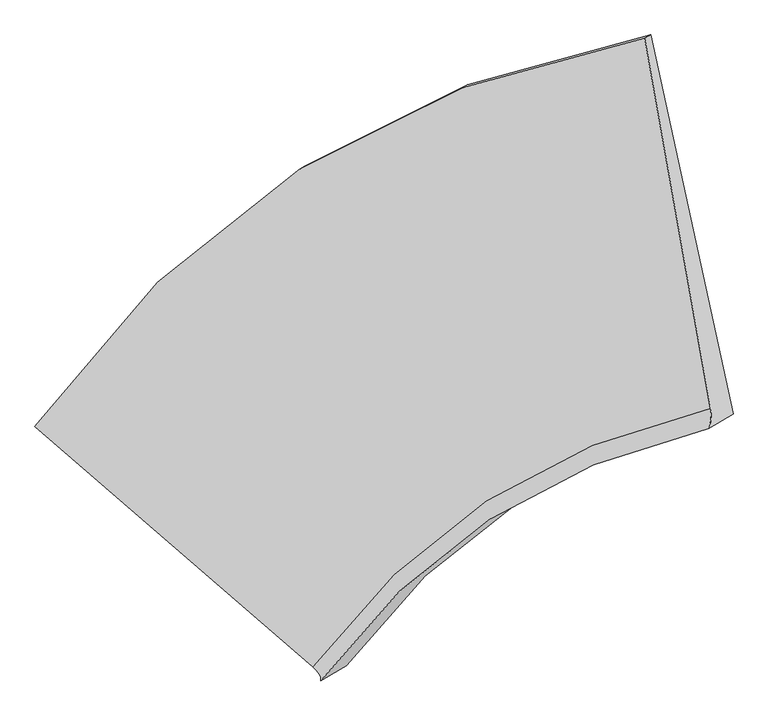
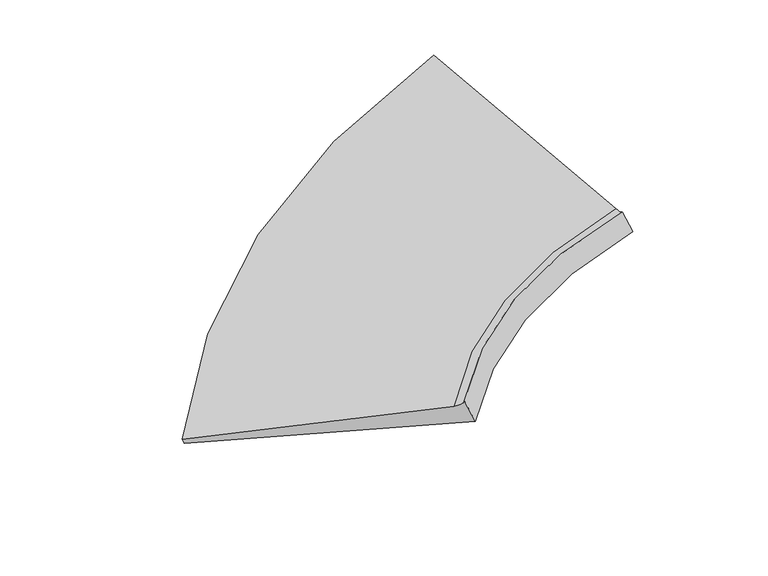
"""IFC4 building model written with IfcOpenShell, lengths in millimetres: proxy geometry."""

from ifc_helpers import new_model, si_unit, frame, origin, place, context, project, spatial, source, transform, mapped, element, save
from ifc_brep_helpers import plane_surface, spline_curve, spline_surface, advanced_brep


def generic_models_1e6c74c7(model_context):
    return source(origin(), model_context, "Body", "AdvancedBrep", [
        advanced_brep(
        [(-3698.9325941, -5449.443842, 498.2140542), (-3737.1303575, -5471.6211139, 574.8126268), (911.131957, -2512.3190339, 1908.7784518), (955.6763242, -2486.4569819, 1819.4529354), (-1619.3413085, -7306.2012896, 1356.9537477), (1411.8110677, -5334.1968011, 1545.5919711), (-1557.6201525, -7411.8533162, 1465.3958178), (1398.1026959, -5486.7271374, 1602.8467653), (-1363.0862252, -7298.9086977, 1075.2938896), (1584.5759732, -5378.4624585, 1228.9089847)],
        [
            (0, 1),
            (1, 2, spline_curve(3, [(-3737.1303575, -5471.6211139, 574.8126268), (-3162.167267449, -4657.284940589, 779.875517063), (-2488.831579619, -4003.771746216, 993.201865754), (-940.633594181, -3015.338665654, 1437.754424606), (-64.548510775, -2682.417833069, 1669.083350762), (911.131957, -2512.3190339, 1908.7784518)], [4, 2, 4], [0.0, 9.459799674756688, 18.97821114615803])),
            (2, 3),
            (3, 0, spline_curve(3, [(955.6763242, -2486.4569819, 1819.4529354), (-23.101548254, -2658.35410597, 1585.969108669), (-901.26270657, -2992.480288503, 1358.803367623), (-2451.563687196, -3982.134348727, 918.467977946), (-3124.938834902, -4635.670453299, 705.22075829), (-3698.9325941, -5449.443842, 498.2140542)], [4, 2, 4], [0.0, 9.518411471401343, 18.97821114615803])),
            (1, 4),
            (4, 5, spline_curve(3, [(-1619.3413085, -7306.2012896, 1356.9537477), (-1239.966942996, -6791.645544941, 1379.428467738), (-798.655716333, -6370.252875572, 1406.323437299), (210.958524388, -5711.760014795, 1469.147900684), (780.031423212, -5475.817854997, 1505.132338919), (1411.8110677, -5334.1968011, 1545.5919711)], [4, 2, 4], [0.0, 7.709399957700699, 15.466566443035049])),
            (5, 2),
            (4, 6, spline_curve(3, [(-1619.3413085, -7306.2012896, 1356.9537477), (-1608.214964943, -7316.111095107, 1361.508308911), (-1598.584349808, -7325.744533072, 1367.183439602), (-1582.314576592, -7344.458674128, 1380.774839998), (-1575.675418463, -7353.53937725, 1388.691109619), (-1565.388559137, -7371.14804835, 1406.764787981), (-1561.740858014, -7379.676016329, 1416.922196732), (-1557.436912586, -7396.179217471, 1439.478153068), (-1556.780668269, -7404.154450603, 1451.876700644), (-1557.6201525, -7411.8533162, 1465.3958178)], [4, 2, 2, 2, 4], [0.0, 0.13914033324456654, 0.2782806664891331, 0.4174209997336996, 0.5565613329782662])),
            (6, 7, spline_curve(3, [(-1557.6201525, -7411.8533162, 1465.3958178), (-1187.322982818, -6910.915520538, 1479.401221574), (-756.811399121, -6500.235287705, 1497.809155299), (227.68107599, -5857.404646039, 1543.571413829), (782.410441877, -5626.376152943, 1570.980462498), (1398.1026959, -5486.7271374, 1602.8467653)], [4, 2, 4], [0.0, 5.950645344411327, 11.938160181499313])),
            (7, 5, spline_curve(3, [(1398.1026959, -5486.7271374, 1602.8467653), (1402.786763618, -5476.638921362, 1591.936623196), (1406.585405484, -5465.895043996, 1582.561208376), (1412.411837516, -5443.095966604, 1566.879833424), (1414.439627685, -5431.040766558, 1560.573873252), (1416.724356315, -5405.619043842, 1551.031407548), (1416.981294791, -5392.252521117, 1547.794902024), (1415.724320009, -5364.208153083, 1544.391345576), (1414.210406793, -5349.530307779, 1544.224294696), (1411.8110677, -5334.1968011, 1545.5919711)], [4, 2, 2, 2, 4], [0.0, 0.13914033324456654, 0.2782806664891331, 0.4174209997336996, 0.5565613329782662])),
            (6, 8),
            (8, 9, spline_curve(3, [(-1363.0862252, -7298.9086977, 1075.2938896), (-991.07910082, -6796.978118029, 1085.870294445), (-560.377477516, -6386.187549712, 1103.897138525), (421.447007237, -5744.905919155, 1155.009560303), (973.299449977, -5515.547741092, 1188.187747592), (1584.5759732, -5378.4624585, 1228.9089847)], [4, 2, 4], [0.0, 5.8822123416838314, 11.80087017327708])),
            (9, 7),
            (8, 0),
            (3, 9),
        ],
        [
            spline_surface(3, 3, [[(-3698.9325941, -5449.443842, 498.2140542), (-3124.938834845, -4635.670453166, 705.220758299), (-2451.563687054, -3982.134348843, 918.467977864), (-901.262706713, -2992.480288386, 1358.803367706), (-23.101548357, -2658.354106013, 1585.96910855), (955.6763242, -2486.4569819, 1819.4529354)], [(-3711.665181899, -5456.836265994, 523.746911736), (-3137.348312416, -4642.875282318, 730.105677839), (-2463.986317872, -3989.346814649, 943.379273815), (-914.386335917, -3000.099747442, 1385.120386688), (-36.917202506, -2666.375348422, 1613.673855985), (940.828201824, -2495.077665915, 1849.228107523)], [(-3724.397769701, -5464.228689906, 549.279769264), (-3149.75778999, -4650.080111388, 754.990597372), (-2476.408948674, -3996.559280482, 968.290569761), (-927.509965106, -3007.719206526, 1411.437405667), (-50.732856728, -2674.396590784, 1641.37860345), (925.980079376, -2503.698349885, 1879.003279677)], [(-3737.1303575, -5471.6211139, 574.8126268), (-3162.167267561, -4657.284940539, 779.875516912), (-2488.831579492, -4003.771746288, 993.201865712), (-940.633594309, -3015.338665582, 1437.75442465), (-64.548510878, -2682.417833193, 1669.083350885), (911.131957, -2512.3190339, 1908.7784518)]], [4, 4], [4, 2, 4], [0.0, 0.29106780651319153], [0.0, 9.459799674756688, 18.97821114615803]),
            spline_surface(3, 3, [[(-3737.1303575, -5471.6211139, 574.8126268), (-3162.167267561, -4657.284940539, 779.875516912), (-2488.831579492, -4003.771746288, 993.201865712), (-940.633594309, -3015.338665582, 1437.75442465), (-64.548510878, -2682.417833193, 1669.083350885), (911.131957, -2512.3190339, 1908.7784518)], [(-3031.200674501, -6083.147839114, 835.526333743), (-2521.433826031, -5368.738475353, 979.726500501), (-1925.439625099, -4792.598789364, 1130.909056232), (-556.769554709, -3914.145782006, 1448.218916671), (216.97813382, -3613.551173746, 1614.433013586), (1078.024993882, -3452.944956289, 1787.716291573)], [(-2325.270991499, -6694.674564386, 1096.240040757), (-1880.700384498, -6080.192010224, 1179.577484162), (-1362.047670767, -5581.425832439, 1268.616246751), (-172.905515171, -4812.952898429, 1458.683408691), (498.504778573, -4544.684514334, 1559.782676267), (1244.918030818, -4393.570878711, 1666.654131327)], [(-1619.3413085, -7306.2012896, 1356.9537477), (-1239.966942968, -6791.645545038, 1379.428467752), (-798.655716374, -6370.252875514, 1406.323437271), (210.958524429, -5711.760014853, 1469.147900712), (780.031423271, -5475.817854887, 1505.132338968), (1411.8110677, -5334.1968011, 1545.5919711)]], [4, 4], [4, 2, 4], [0.0, 9.551953077660876], [0.0, 7.709399957700699, 15.466566443035049]),
            spline_surface(3, 3, [[(-1619.3413085, -7306.2012896, 1356.9537477), (-1239.966942968, -6791.645545038, 1379.428467752), (-798.655716374, -6370.252875514, 1406.323437271), (210.958524429, -5711.760014853, 1469.147900712), (780.031423271, -5475.817854887, 1505.132338968), (1411.8110677, -5334.1968011, 1545.5919711)], [(-1608.214964943, -7316.111095105, 1361.508308909), (-1229.890807877, -6803.130912595, 1383.003150615), (-789.829072502, -6382.977644732, 1408.916191684), (216.878643928, -5726.296862987, 1469.766601404), (784.292032499, -5490.923201752, 1504.758888905), (1414.210406791, -5349.530307779, 1544.224294696)], [(-1598.58434981, -7325.744533072, 1367.183439604), (-1221.236957339, -6814.22972937, 1387.766928461), (-782.337332957, -6395.229188545, 1412.766709894), (221.667120075, -5740.23376222, 1471.781116717), (787.537052288, -5505.388843061, 1505.850637236), (1415.724320011, -5364.208153081, 1544.391345577)], [(-1582.31457659, -7344.458674128, 1380.774839996), (-1206.773825572, -6835.654261558, 1399.672674152), (-770.023662657, -6418.785825442, 1422.983274152), (228.980785533, -5766.907662966, 1478.601776831), (791.995913065, -5533.040714758, 1510.964530801), (1416.981294789, -5392.252521119, 1547.794902023)], [(-1575.675418462, -7353.539377249, 1388.691109617), (-1200.9645443, -6845.979977003, 1406.81464192), (-765.20173186, -6430.090918473, 1429.349320213), (231.505974886, -5779.644664425, 1483.407921645), (793.20975402, -5546.226945134, 1514.986675995), (1416.724356313, -5405.619043842, 1551.03140755)], [(-1565.388559138, -7371.148048351, 1406.764787983), (-1192.190550948, -6865.858306265, 1423.476767575), (-758.227679004, -6451.754653832, 1444.596939903), (234.293066805, -5803.918769649, 1495.811840489), (793.606257119, -5571.319994798, 1525.961363249), (1414.439627687, -5431.040766558, 1560.57387325)], [(-1561.740858015, -7379.676016327, 1416.922196731), (-1189.225838941, -6875.410920078, 1432.996925465), (-756.075556954, -6462.11329618, 1453.478513616), (234.554969363, -5815.455873433, 1503.409614604), (792.78891924, -5583.226814141, 1532.913905307), (1412.411837515, -5443.095966603, 1566.879833422)], [(-1557.436912585, -7396.179217473, 1439.478153069), (-1186.140984004, -6893.743046414, 1454.415431084), (-754.441121542, -6481.884130001, 1473.757188738), (232.815487743, -5837.330183135, 1521.396792179), (789.123064659, -5605.761041773, 1549.749386251), (1406.585405485, -5465.895043997, 1582.561208378)], [(-1556.780668267, -7404.154450604, 1451.876700644), (-1186.020841063, -6902.522558896, 1466.313778797), (-754.95880814, -6491.296321467, 1485.154290103), (230.814103606, -5847.667389045, 1531.786195595), (786.274547946, -5616.388450083, 1559.632325172), (1402.786763617, -5476.638921364, 1591.936623195)], [(-1557.6201525, -7411.8533162, 1465.3958178), (-1187.322982802, -6910.915520601, 1479.401221588), (-756.811399156, -6500.235287609, 1497.809155379), (227.681076026, -5857.404646135, 1543.571413748), (782.410441816, -5626.376152883, 1570.980462489), (1398.1026959, -5486.7271374, 1602.8467653)]], [4, 2, 2, 2, 4], [4, 2, 4], [0.0, 0.13914033324456654, 0.2782806664891331, 0.4174209997336996, 0.5565613329782662], [0.0, 5.950645344411327, 11.938160181499313]),
            spline_surface(3, 3, [[(-1557.6201525, -7411.8533162, 1465.3958178), (-1187.322982802, -6910.915520601, 1479.401221588), (-756.811399156, -6500.235287609, 1497.809155379), (227.681076026, -5857.404646135, 1543.571413748), (782.410441816, -5626.376152883, 1570.980462489), (1398.1026959, -5486.7271374, 1602.8467653)], [(-1492.775510066, -7374.205110025, 1335.361841728), (-1121.908355447, -6872.936386396, 1348.224245837), (-691.333425243, -6462.21937497, 1366.505149782), (292.269719752, -5819.905070468, 1414.050795892), (846.040111203, -5589.433348944, 1443.382890879), (1460.260454995, -5450.638911111, 1478.200838428)], [(-1427.930867634, -7336.556903875, 1205.327865672), (-1056.493728095, -6834.957252216, 1217.047270102), (-625.855451363, -6424.203462352, 1235.201144215), (356.858363443, -5782.405494821, 1284.530178066), (909.669780605, -5552.490544972, 1315.785319283), (1522.418214105, -5414.550684789, 1353.554911572)], [(-1363.0862252, -7298.9086977, 1075.2938896), (-991.07910074, -6796.97811801, 1085.87029435), (-560.377477449, -6386.187549714, 1103.897138618), (421.447007169, -5744.905919154, 1155.00956021), (973.299449992, -5515.547741033, 1188.187747673), (1584.5759732, -5378.4624585, 1228.9089847)]], [4, 4], [4, 2, 4], [0.0, 1.481631898312056], [0.0, 5.8822123416838314, 11.80087017327708]),
            spline_surface(3, 3, [[(-1363.0862252, -7298.9086977, 1075.2938896), (-991.07910074, -6796.97811801, 1085.87029435), (-560.377477449, -6386.187549714, 1103.897138618), (421.447007169, -5744.905919154, 1155.00956021), (973.299449992, -5515.547741033, 1188.187747673), (1584.5759732, -5378.4624585, 1228.9089847)], [(-2141.701681483, -6682.420412465, 882.933944463), (-1702.365678758, -6076.542229727, 958.987115663), (-1190.77288065, -5584.836482751, 1042.087418365), (-19.456230791, -4827.430708893, 1222.940829373), (641.165783859, -4563.149862681, 1320.781534639), (1374.94275685, -4414.460632954, 1425.756968274)], [(-2920.317137817, -6065.932127235, 690.573999337), (-2413.652256827, -5356.10634145, 832.103936986), (-1821.168283853, -4783.485415805, 980.277698117), (-460.359468753, -3909.955498647, 1290.872098542), (309.032117776, -3610.751984366, 1453.375321584), (1165.30954055, -3450.458807446, 1622.604951826)], [(-3698.9325941, -5449.443842, 498.2140542), (-3124.938834845, -4635.670453166, 705.220758299), (-2451.563687054, -3982.134348843, 918.467977864), (-901.262706713, -2992.480288386, 1358.803367706), (-23.101548357, -2658.354106013, 1585.96910855), (955.6763242, -2486.4569819, 1819.4529354)]], [4, 4], [4, 2, 4], [0.0, 9.967277796748027], [0.0, 7.628116629965374, 15.30349616570774]),
            plane_surface(frame((1252.2596036, -4239.6324825, 1621.1158217), z_axis=(0.8793876079306729, 0.0960097768912667, 0.4663255920054766), x_axis=(-0.4319996391122253, -0.25081503838021013, 0.86629563564019))),
            plane_surface(frame((-2395.2221276, -6587.6056519, 994.1340272), z_axis=(-0.4803046046557867, -0.7490183514824639, -0.45637593701787216), x_axis=(0.7696992622988463, -0.6094286653734263, 0.1901571650971276))),
        ],
        [
            (0, [[1, 2, 3, 4]]),
            (1, [[5, 6, 7, -2]]),
            (2, [[8, 9, 10, -6]]),
            (3, [[11, 12, 13, -9]]),
            (4, [[14, -4, 15, -12]]),
            (5, [[-3, -7, -10, -13, -15]]),
            (6, [[-14, -11, -8, -5, -1]]),
        ],
    ),
    ])


if __name__ == "__main__":
    model = new_model("IFC4")
    model_context = context("Model", 3, world=origin())
    ifc_project = project(units=[si_unit("LENGTHUNIT", "METRE", prefix="MILLI")], contexts=[model_context])
    site = spatial("IfcSite", under=ifc_project)
    building = spatial("IfcBuilding", under=site)
    placement = place(None, origin())
    generic_models_shape = generic_models_1e6c74c7(model_context)
    element("IfcBuildingElementProxy", 1, Name="Generic Models", at=placement, inside=building, context=model_context, shape_type="MappedRepresentation", body=[
        mapped(generic_models_shape, transform((0.0, 0.0, 0.0), x_axis=(1.0, 0.0, 0.0), y_axis=(0.0, 1.0, 0.0), z_axis=(0.0, 0.0, 1.0))),
    ])
    save(model, "model.ifc")
